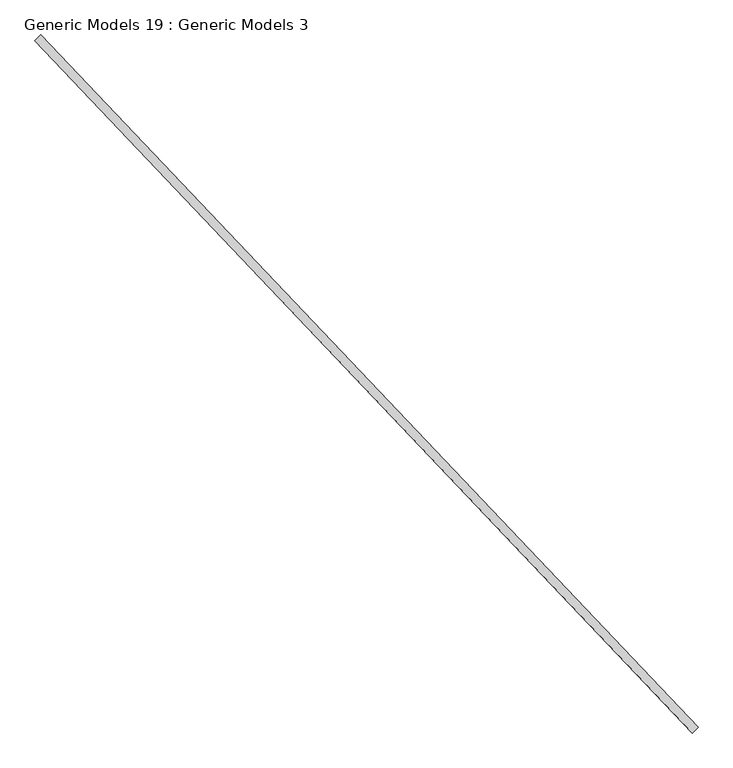
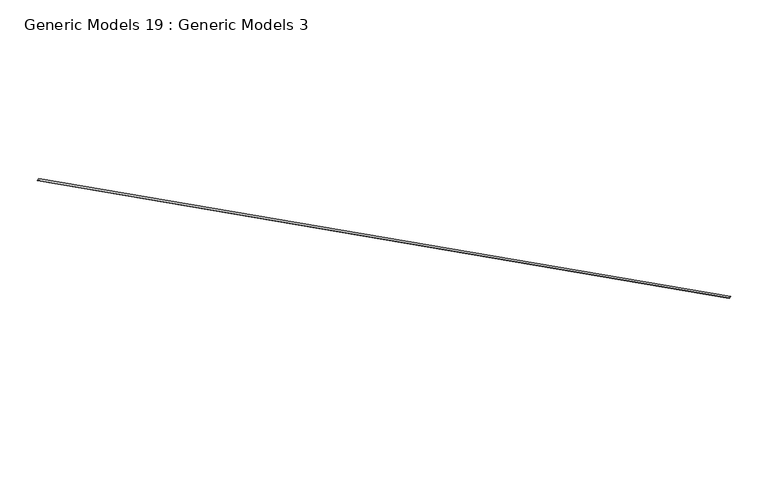
"""IFC4 building model written with IfcOpenShell, lengths in millimetres: proxy geometry, Generic Models 19 : Generic Models 3."""

from ifc_helpers import new_model, si_unit, frame, origin, place, context, project, spatial, polyline, outline, extrude, source, transform, mapped, element, save


def generic_models_19_generic_models_3_d247f588(model_context):
    return source(origin(), model_context, "Body", "SweptSolid", [
        extrude(outline(polyline([(0.0, -78.9743735), (0.0, 0.0), (8832.85, 0.0), (8832.8499999, -78.9743735), (0.0, -78.9743735)])), frame((107519.5757534, 60264.5644188, 17444.3696532), z_axis=(0.20601598952308606, 0.19550187423410986, 0.958820332091354), x_axis=(0.688354575693749, -0.7253743710122924, 0.0)), (0.0, 0.0, 1.0), 1.5875),
    ])


if __name__ == "__main__":
    model = new_model("IFC4")
    model_context = context("Model", 3, world=origin())
    ifc_project = project(units=[si_unit("LENGTHUNIT", "METRE", prefix="MILLI")], contexts=[model_context])
    site = spatial("IfcSite", under=ifc_project)
    building = spatial("IfcBuilding", under=site)
    placement = place(None, origin())
    generic_models_19_generic_models_3_shape = generic_models_19_generic_models_3_d247f588(model_context)
    element("IfcBuildingElementProxy", 1, Name="Generic Models 19 : Generic Models 3", ObjectType="Generic Models 19 : Generic Models 3", at=placement, inside=building, context=model_context, shape_type="MappedRepresentation", body=[
        mapped(generic_models_19_generic_models_3_shape, transform((0.0, 0.0, 0.0), x_axis=(1.0, 0.0, 0.0), y_axis=(0.0, 1.0, 0.0), z_axis=(0.0, 0.0, 1.0))),
    ])
    save(model, "model.ifc")
